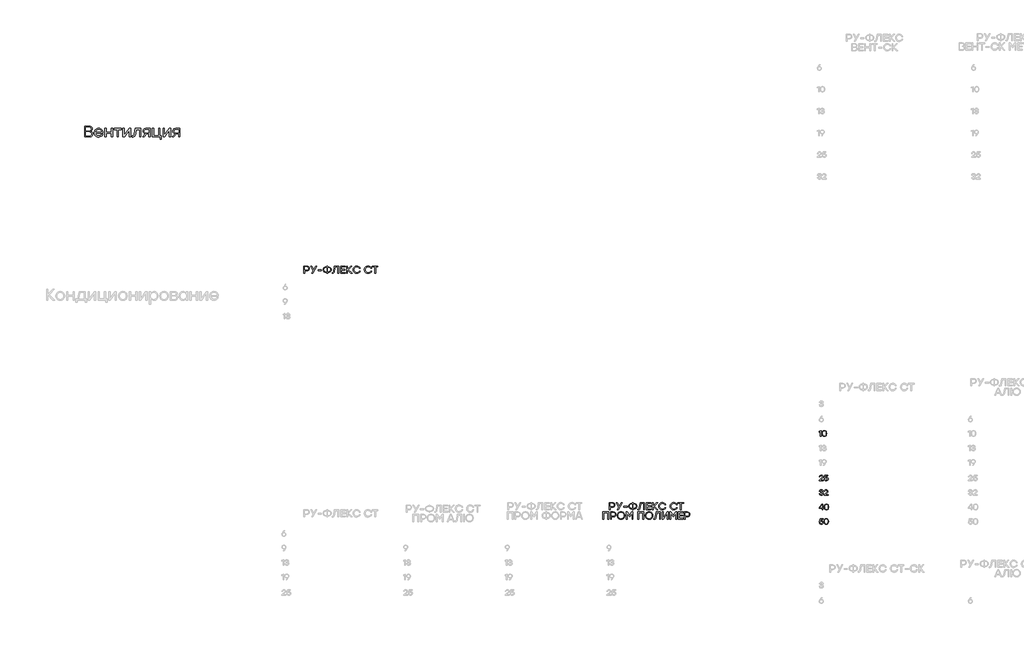
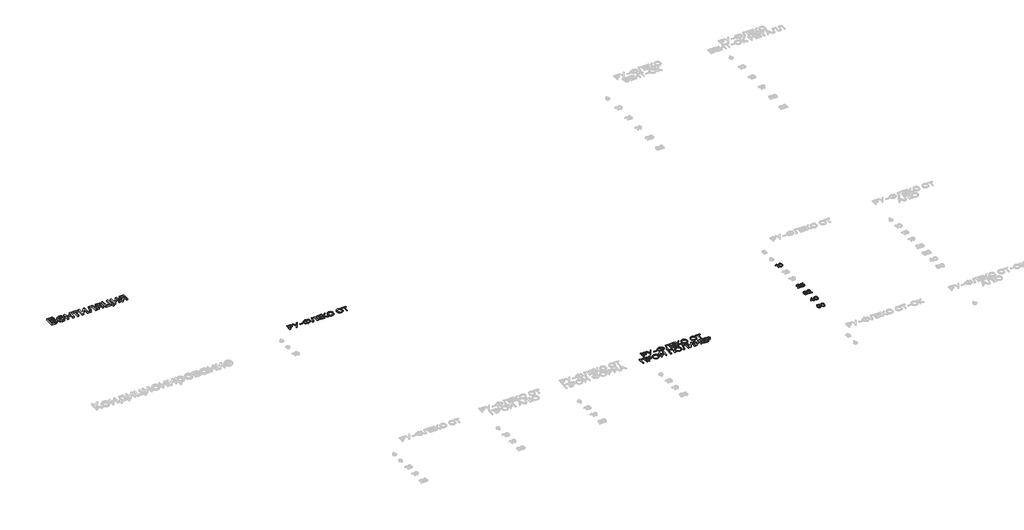
# One storey, part 26 of 41: 8 proxies.
"""IFC4 building model written with IfcOpenShell, lengths in millimetres."""

import ifcopenshell
import ifcopenshell.guid

model = None  # the IFC model being written
_history = None  # IfcOwnerHistory: only IFC2X3 demands one
_inside = {}  # id of a spatial element -> (the spatial element, [elements in it])
_under = {}  # id of a project, library or spatial element -> (it, [spatial elements below it])
_declared = {}  # id of a project -> (the project, [libraries it declares])
_typed = {}  # id of a type object -> (the type object, [elements of that type])
_made_of = {}  # id of a material, layer set ... -> (it, [elements and type objects made of it])


def new_model(schema):
    """Start an empty IFC model of exactly this schema.

    Asked for "IFC4X3", IfcOpenShell would pick the latest addendum, in which some entities
    have other attributes; the version numbers below select the first issue.
    IFC2X3 requires an IfcOwnerHistory on every rooted entity: one is made here for all.
    """
    global model, _history
    if schema == "IFC4X3":
        model = ifcopenshell.file(schema_version=(4, 3, 0, 0))
    else:
        model = ifcopenshell.file(schema=schema)
    _inside.clear()
    _under.clear()
    _declared.clear()
    _typed.clear()
    _made_of.clear()
    _history = None
    if model.schema == "IFC2X3":
        org = make("IfcOrganization", Name="unknown")
        user = make(
            "IfcPersonAndOrganization",
            ThePerson=make("IfcPerson", FamilyName="unknown"),
            TheOrganization=org,
        )
        app = make(
            "IfcApplication",
            ApplicationDeveloper=org,
            Version="unknown",
            ApplicationFullName="unknown",
            ApplicationIdentifier="unknown",
        )
        _history = make(
            "IfcOwnerHistory",
            OwningUser=user,
            OwningApplication=app,
            ChangeAction="ADDED",
            CreationDate=0,
        )
    return model


def make(cls, **values):
    """One entity of the class cls with the attributes given. An attribute that is None is left unset."""
    return model.create_entity(
        cls, **{name: value for name, value in values.items() if value is not None}
    )


def rooted(cls, **values):
    """An entity with a GlobalId (a new one), such as an element, a storey or a relation."""
    return make(cls, GlobalId=ifcopenshell.guid.new(), OwnerHistory=_history, **values)


def si_unit(unit_type, name, prefix=None):
    """IfcSIUnit, for example si_unit("LENGTHUNIT", "METRE", prefix="MILLI")."""
    return make("IfcSIUnit", UnitType=unit_type, Prefix=prefix, Name=name)


def assignment(units):
    """IfcUnitAssignment: the units of a project."""
    return None if units is None else make("IfcUnitAssignment", Units=units)


def point(xyz):
    """IfcCartesianPoint."""
    return None if xyz is None else make("IfcCartesianPoint", Coordinates=xyz)


def direction(xyz):
    """IfcDirection."""
    return None if xyz is None else make("IfcDirection", DirectionRatios=xyz)


def frame(location, z_axis=None, x_axis=None):
    """IfcAxis2Placement3D, a coordinate frame: its origin and axes. An axis left out is left unset."""
    return make(
        "IfcAxis2Placement3D",
        Location=point(location),
        Axis=direction(z_axis),
        RefDirection=direction(x_axis),
    )


def origin():
    """The frame at (0, 0, 0) with its axes left unset."""
    return frame((0.0, 0.0, 0.0))


def origin_with_axes():
    """The frame at (0, 0, 0) with the z axis (0, 0, 1) and the x axis (1, 0, 0) written out."""
    return frame((0.0, 0.0, 0.0), z_axis=(0.0, 0.0, 1.0), x_axis=(1.0, 0.0, 0.0))


def place(relative_to, where):
    """IfcLocalPlacement: puts the frame where relative to a parent placement (None: the world)."""
    return make(
        "IfcLocalPlacement", PlacementRelTo=relative_to, RelativePlacement=where
    )


def context(
    kind, dimensions, precision=None, world=None, true_north=None, identifier=None
):
    """IfcGeometricRepresentationContext, for example the 3D "Model" context."""
    return make(
        "IfcGeometricRepresentationContext",
        ContextIdentifier=identifier,
        ContextType=kind,
        CoordinateSpaceDimension=dimensions,
        Precision=precision,
        WorldCoordinateSystem=world,
        TrueNorth=true_north,
    )


def project(units=None, contexts=None):
    """IfcProject with its units and contexts."""
    return rooted(
        "IfcProject",
        Name="project",
        RepresentationContexts=contexts,
        UnitsInContext=assignment(units),
    )


def spatial(cls, under=None, at=None, **own):
    """A site, building, storey or space (cls), placed at a placement, below another one or the project."""
    s = rooted(cls, ObjectPlacement=at, **own)
    if under is not None:
        _under.setdefault(under.id(), (under, []))[1].append(s)
    return s


def polyline(points):
    """IfcPolyline through the points."""
    return make("IfcPolyline", Points=[point(p) for p in points])


def outline(outer, holes=None, kind="AREA"):
    """IfcArbitraryClosedProfileDef: a profile drawn as a closed curve; with holes, ...WithVoids."""
    if holes is None:
        return make("IfcArbitraryClosedProfileDef", ProfileType=kind, OuterCurve=outer)
    return make(
        "IfcArbitraryProfileDefWithVoids",
        ProfileType=kind,
        OuterCurve=outer,
        InnerCurves=holes,
    )


def extrude(swept, where, along, depth):
    """IfcExtrudedAreaSolid: the profile swept, set in the frame where, extruded along a direction by depth."""
    return make(
        "IfcExtrudedAreaSolid",
        SweptArea=swept,
        Position=where,
        ExtrudedDirection=direction(along),
        Depth=depth,
    )


def shape(context_of_items, identifier, shape_type, items):
    """IfcShapeRepresentation: the items that make up one representation, for example the "Body"."""
    return make(
        "IfcShapeRepresentation",
        ContextOfItems=context_of_items,
        RepresentationIdentifier=identifier,
        RepresentationType=shape_type,
        Items=items,
    )


def made_of(thing, what):
    """Note that an element or type object is made of a material, layer set ...; save() writes the relation."""
    if what is not None:
        _made_of.setdefault(what.id(), (what, []))[1].append(thing)
    return thing


def element(
    cls,
    number,
    at=None,
    inside=None,
    cuts=None,
    type_object=None,
    material=None,
    context=None,
    identifier="Body",
    shape_type=None,
    held_by="IfcProductDefinitionShape",
    body=None,
    shapes=None,
    **own,
):
    """One element of the class cls, such as IfcWall. Its Tag is "e" and its number.

    at: its placement. inside: the storey or other place that contains it. cuts: it is an
    opening in that element (IfcRelVoidsElement). A single representation is given by context,
    identifier, shape_type and body (its items); several are given by shapes. held_by: the class
    of the entity that holds the representations. save() writes the other relations.
    """
    e = rooted(cls, Tag="e%d" % number, ObjectPlacement=at, **own)
    if body is not None:
        shapes = [shape(context, identifier, shape_type, body)]
    if shapes is not None:
        e.Representation = make(held_by, Representations=shapes)
    if inside is not None:
        _inside.setdefault(inside.id(), (inside, []))[1].append(e)
    if cuts is not None:
        rooted(
            "IfcRelVoidsElement", RelatingBuildingElement=cuts, RelatedOpeningElement=e
        )
    if type_object is not None:
        _typed.setdefault(type_object.id(), (type_object, []))[1].append(e)
    return made_of(e, material)


def aggregate(whole, parts):
    """IfcRelAggregates: a whole, such as a stair, and the parts it consists of."""
    return rooted("IfcRelAggregates", RelatingObject=whole, RelatedObjects=parts)


def save(model, path):
    """Write the relations noted so far, then the file.

    IfcRelAggregates (storeys below a building ...), IfcRelContainedInSpatialStructure (elements
    in a storey), IfcRelDefinesByType, IfcRelAssociatesMaterial and IfcRelDeclares: one each for
    every whole, place, type object, material and project.
    """
    for whole, parts in _under.values():
        aggregate(whole, parts)
    for where, things in _inside.values():
        rooted(
            "IfcRelContainedInSpatialStructure",
            RelatedElements=things,
            RelatingStructure=where,
        )
    for kind, things in _typed.values():
        rooted("IfcRelDefinesByType", RelatedObjects=things, RelatingType=kind)
    for what, things in _made_of.values():
        rooted("IfcRelAssociatesMaterial", RelatedObjects=things, RelatingMaterial=what)
    for by, libraries in _declared.values():
        rooted("IfcRelDeclares", RelatingContext=by, RelatedDefinitions=libraries)
    model.write(path)


model = new_model("IFC4")

# Units and contexts
model_context = context("Model", 3, world=origin())
ifc_project = project(units=[si_unit("LENGTHUNIT", "METRE", prefix="MILLI")], contexts=[model_context])

# Site, building, storey
site = spatial("IfcSite", under=ifc_project)
building = spatial("IfcBuilding", under=site)
storey = spatial("IfcBuildingStorey", under=building, Elevation=0.0)

# Proxies
placement = place(None, origin())
element("IfcBuildingElementProxy", 1, Name="Generic Models", at=placement, inside=storey, context=model_context, shape_type="SweptSolid", body=[
    extrude(outline(polyline([(1360.8841355, -20745.7672197), (1383.4556317, -20755.952225), (1399.578129, -20771.9844564), (1409.2516273, -20793.8639138), (1412.4761268, -20821.5905974), (1410.9165322, -20839.9521911), (1406.2377484, -20856.2025651), (1398.4397753, -20870.3417194), (1387.5226131, -20882.369654), (1373.6216605, -20891.9704382), (1356.8723165, -20898.8281411), (1314.8284542, -20904.3143035), (1189.4992311, -20904.3143035), (1189.4992311, -20605.9954485), (1312.7423084, -20605.9954485), (1351.9678679, -20610.9500449), (1367.4810702, -20617.1432903), (1380.2612209, -20625.813834), (1390.2481426, -20636.7460406), (1397.3816581, -20649.7242748), (1403.0884705, -20681.8188261), (1400.4506996, -20703.2369244), (1392.5373868, -20721.0343561), (1379.3485321, -20735.2111212), (1360.8841355, -20745.7672197)]), holes=[polyline([(1367.3030457, -20686.9539544), (1363.8929997, -20666.3933824), (1353.6628614, -20651.5697115), (1335.549499, -20642.6032962), (1308.4897804, -20639.6144911), (1224.883474, -20639.6144911), (1224.883474, -20733.8119994), (1307.6071802, -20733.8119994), (1335.3288489, -20730.8332238), (1353.6628614, -20721.8968972), (1363.8929997, -20707.2036104), (1367.3030457, -20686.9539544)]), polyline([(1314.4272724, -20870.6150246), (1341.8430399, -20867.3955399), (1361.425731, -20857.7370858), (1373.1753457, -20841.6396624), (1377.0918839, -20819.1032696), (1373.3608923, -20796.2459313), (1362.1679175, -20779.6670896), (1342.550123, -20769.5873946), (1313.5446722, -20766.2274962), (1224.883474, -20766.2274962), (1224.883474, -20870.6150246), (1314.4272724, -20870.6150246)])]), origin_with_axes(), (0.0, 0.0, 1.0), 50.0),
    extrude(outline(polyline([(1576.3990479, -20665.2098958), (1602.2928317, -20667.5267212), (1625.4134456, -20674.4771975), (1645.7608897, -20686.0613246), (1663.3351639, -20702.2791026), (1677.369008, -20722.1476358), (1687.0951615, -20744.6840286), (1692.5136244, -20769.888281), (1693.6243968, -20797.760393), (1492.872978, -20797.760393), (1500.6559067, -20830.1758898), (1508.4588945, -20843.4951287), (1518.8695646, -20854.8886944), (1545.3876877, -20870.5347882), (1578.0840119, -20875.7501528), (1602.3454868, -20873.1926182), (1622.6553201, -20865.5200145), (1639.0135117, -20852.7323417), (1651.4200618, -20834.8295998), (1688.0880867, -20834.8295998), (1669.8443401, -20866.7636784), (1644.1586695, -20890.0322282), (1612.6157432, -20904.2340671), (1576.8002298, -20908.9680135), (1551.7589576, -20906.851779), (1529.029496, -20900.5030755), (1508.6118451, -20889.9219031), (1490.5060048, -20875.1082618), (1475.6748117, -20856.9648107), (1465.0811024, -20836.3942092), (1458.7248768, -20813.3964572), (1456.6061349, -20787.9715548), (1458.7123399, -20762.4914899), (1465.0309547, -20739.3282504), (1475.5619793, -20718.4818363), (1490.3054139, -20699.9522477), (1508.3234956, -20684.7524687), (1528.6784619, -20673.8954838), (1551.3703126, -20667.3812928), (1576.3990479, -20665.2098958)]), holes=[polyline([(1576.3990479, -20698.4277565), (1547.263213, -20703.0112596), (1522.9215017, -20716.7617689), (1504.858287, -20737.873966), (1494.5579419, -20764.5425323), (1655.2714079, -20764.5425323), (1645.542747, -20737.6232273), (1628.3922211, -20716.561178), (1604.9631986, -20702.9611119), (1576.3990479, -20698.4277565)])]), origin_with_axes(), (0.0, 0.0, 1.0), 50.0),
    extrude(outline(polyline([(1927.8343854, -20669.8636058), (1963.2186283, -20669.8636058), (1963.2186283, -20904.3143035), (1927.8343854, -20904.3143035), (1927.8343854, -20801.1303209), (1783.8100862, -20801.1303209), (1783.8100862, -20904.3143035), (1748.4258433, -20904.3143035), (1748.4258433, -20669.8636058), (1783.8100862, -20669.8636058), (1783.8100862, -20767.5112783), (1927.8343854, -20767.5112783), (1927.8343854, -20669.8636058)])), origin_with_axes(), (0.0, 0.0, 1.0), 50.0),
    extrude(outline(polyline([(2202.6439815, -20669.8636058), (2202.6439815, -20703.1617028), (2121.6052393, -20703.1617028), (2121.6052393, -20904.3143035), (2086.2209964, -20904.3143035), (2086.2209964, -20703.1617028), (2005.2624906, -20703.1617028), (2005.2624906, -20669.8636058), (2121.6052393, -20669.8636058), (2202.6439815, -20669.8636058)])), origin_with_axes(), (0.0, 0.0, 1.0), 50.0),
    extrude(outline(polyline([(2414.8692025, -20669.8636058), (2458.3573196, -20669.8636058), (2458.3573196, -20904.3143035), (2422.9730767, -20904.3143035), (2422.9730767, -20791.822901), (2425.1394589, -20712.950541), (2290.0213977, -20904.3143035), (2246.5332805, -20904.3143035), (2246.5332805, -20669.8636058), (2281.9175234, -20669.8636058), (2281.9175234, -20782.4352447), (2279.7511412, -20860.8261864), (2414.8692025, -20669.8636058)])), origin_with_axes(), (0.0, 0.0, 1.0), 50.0),
    extrude(outline(polyline([(2581.841106, -20669.8636058), (2741.1905536, -20669.8636058), (2741.1905536, -20904.3143035), (2705.8063107, -20904.3143035), (2705.8063107, -20703.1617028), (2611.6088024, -20703.1617028), (2594.1975083, -20813.0855412), (2583.4458336, -20857.3158449), (2568.3613944, -20886.822773), (2548.2822407, -20903.4317034), (2522.5464223, -20908.9680135), (2503.3699279, -20907.6842314), (2503.3699279, -20875.3489709), (2515.7263302, -20876.1513347), (2531.8438127, -20872.6911409), (2543.4479989, -20862.3105594), (2552.0633801, -20842.5623808), (2559.2144473, -20810.9993954), (2581.841106, -20669.8636058)])), origin_with_axes(), (0.0, 0.0, 1.0), 50.0),
    extrude(outline(polyline([(2880.4006701, -20669.8636058), (2994.657273, -20669.8636058), (2994.657273, -20904.3143035), (2959.2730301, -20904.3143035), (2959.2730301, -20815.6531054), (2897.8922006, -20815.6531054), (2829.691279, -20904.3143035), (2785.80198, -20904.3143035), (2859.1380298, -20813.5669595), (2833.2517683, -20805.5032035), (2813.5236487, -20791.5821918), (2801.0368623, -20771.9242791), (2796.8746002, -20746.6498199), (2802.3106148, -20713.8331411), (2809.1056331, -20700.6743751), (2818.6186587, -20689.6819912), (2830.6340564, -20681.0114476), (2844.9361909, -20674.8182021), (2880.4006701, -20669.8636058)]), holes=[polyline([(2883.4496525, -20785.8051726), (2959.2730301, -20785.8051726), (2959.2730301, -20701.8779207), (2881.6844522, -20701.8779207), (2860.2362653, -20704.6210019), (2844.9161318, -20712.8502455), (2835.7240517, -20726.5656514), (2832.660025, -20745.7672197), (2835.8343767, -20763.2838241), (2845.3574318, -20775.7956844), (2861.2291905, -20783.3028005), (2883.4496525, -20785.8051726)])]), origin_with_axes(), (0.0, 0.0, 1.0), 50.0),
    extrude(outline(polyline([(3264.57245, -20871.0964428), (3307.2582034, -20871.0964428), (3307.2582034, -20966.9789151), (3271.8739605, -20966.9789151), (3271.8739605, -20904.3143035), (3229.2684435, -20904.3143035), (3069.4375777, -20904.3143035), (3057.8835392, -20904.3143035), (3057.8835392, -20669.8636058), (3093.2677821, -20669.8636058), (3093.2677821, -20871.0964428), (3229.2684435, -20871.0964428), (3229.2684435, -20669.8636058), (3264.57245, -20669.8636058), (3264.57245, -20871.0964428)])), origin_with_axes(), (0.0, 0.0, 1.0), 50.0),
    extrude(outline(polyline([(3518.9217696, -20669.8636058), (3562.4098868, -20669.8636058), (3562.4098868, -20904.3143035), (3527.0256439, -20904.3143035), (3527.0256439, -20791.822901), (3529.1920261, -20712.950541), (3394.0739648, -20904.3143035), (3350.5858477, -20904.3143035), (3350.5858477, -20669.8636058), (3385.9700906, -20669.8636058), (3385.9700906, -20782.4352447), (3383.8037084, -20860.8261864), (3518.9217696, -20669.8636058)])), origin_with_axes(), (0.0, 0.0, 1.0), 50.0),
    extrude(outline(polyline([(3702.0211852, -20669.8636058), (3816.2777881, -20669.8636058), (3816.2777881, -20904.3143035), (3780.8935452, -20904.3143035), (3780.8935452, -20815.6531054), (3719.5127157, -20815.6531054), (3651.3117941, -20904.3143035), (3607.4224951, -20904.3143035), (3680.7585449, -20813.5669595), (3654.8722833, -20805.5032035), (3635.1441638, -20791.5821918), (3622.6573774, -20771.9242791), (3618.4951153, -20746.6498199), (3623.9311299, -20713.8331411), (3630.7261482, -20700.6743751), (3640.2391738, -20689.6819912), (3652.2545715, -20681.0114476), (3666.556706, -20674.8182021), (3702.0211852, -20669.8636058)]), holes=[polyline([(3705.0701676, -20785.8051726), (3780.8935452, -20785.8051726), (3780.8935452, -20701.8779207), (3703.3049673, -20701.8779207), (3681.8567804, -20704.6210019), (3666.5366469, -20712.8502455), (3657.3445668, -20726.5656514), (3654.2805401, -20745.7672197), (3657.4548918, -20763.2838241), (3666.9779469, -20775.7956844), (3682.8497055, -20783.3028005), (3705.0701676, -20785.8051726)])]), origin_with_axes(), (0.0, 0.0, 1.0), 50.0),
])
element("IfcBuildingElementProxy", 2, Name="Generic Models", at=placement, inside=storey, context=model_context, shape_type="SweptSolid", body=[
    extrude(outline(polyline([(7308.6263504, -24460.6351341), (7337.6454222, -24465.0996066), (7359.5105801, -24478.4930244), (7373.2267308, -24498.9462256), (7377.798781, -24524.5900485), (7373.1863892, -24550.6238405), (7359.3492136, -24571.4939051), (7337.4437141, -24585.2100558), (7308.6263504, -24589.782106), (7252.0405051, -24589.782106), (7252.0405051, -24660.6219902), (7228.3196327, -24660.6219902), (7228.3196327, -24460.6351341), (7308.6263504, -24460.6351341)]), holes=[polyline([(7307.7657292, -24567.190799), (7327.6339769, -24564.1920719), (7342.056106, -24555.1958907), (7350.8304082, -24541.6276593), (7353.7551757, -24524.9127815), (7350.8304082, -24508.2651397), (7342.056106, -24494.8986164), (7327.6339769, -24486.1041433), (7307.7657292, -24483.1726523), (7252.0405051, -24483.1726523), (7252.0405051, -24567.190799), (7307.7657292, -24567.190799)])]), origin_with_axes(), (0.0, 0.0, 1.0), 20.0),
    extrude(outline(polyline([(7586.82216, -24460.6351341), (7473.7042583, -24660.6219902), (7446.863634, -24660.6219902), (7488.2810302, -24588.0608636), (7415.3971706, -24460.6351341), (7442.2915838, -24460.6351341), (7501.4055039, -24562.6187487), (7560.2504798, -24460.6351341), (7586.82216, -24460.6351341)])), origin_with_axes(), (0.0, 0.0, 1.0), 20.0),
    extrude(outline(polyline([(7713.3872683, -24563.2104258), (7713.3872683, -24585.747944), (7620.7629094, -24585.747944), (7620.7629094, -24563.2104258), (7713.3872683, -24563.2104258)])), origin_with_axes(), (0.0, 0.0, 1.0), 20.0),
    extrude(outline(polyline([(7903.9610799, -24483.1726523), (7935.6090805, -24488.2825908), (7961.3806519, -24503.6124063), (7971.3702455, -24514.7147562), (7978.5056695, -24527.582052), (7984.2140087, -24558.6114812), (7978.5392875, -24589.6409103), (7971.4458861, -24602.5082061), (7961.515124, -24613.610556), (7935.7771706, -24628.9403715), (7903.9610799, -24634.05031), (7884.2205806, -24634.05031), (7884.2205806, -24660.6219902), (7860.4997082, -24660.6219902), (7860.4997082, -24634.05031), (7840.5440537, -24634.05031), (7808.6876213, -24628.9403715), (7782.9362207, -24613.610556), (7773.0054586, -24602.5082061), (7765.9120572, -24589.6409103), (7760.237336, -24558.6114812), (7765.9523988, -24527.582052), (7773.0962273, -24514.7147562), (7783.0975872, -24503.6124063), (7808.8893294, -24488.2825908), (7840.5440537, -24483.1726523), (7860.4997082, -24483.1726523), (7860.4997082, -24460.6351341), (7884.2205806, -24460.6351341), (7884.2205806, -24483.1726523), (7903.9610799, -24483.1726523)]), holes=[polyline([(7903.9610799, -24611.459003), (7926.5658341, -24607.9963473), (7944.6792214, -24597.6083802), (7956.5799992, -24580.9338441), (7960.5469251, -24558.6114812), (7956.5799992, -24536.2891182), (7944.6792214, -24519.6145821), (7926.5658341, -24509.226615), (7903.9610799, -24505.7639593), (7884.2205806, -24505.7639593), (7884.2205806, -24611.459003), (7903.9610799, -24611.459003)]), polyline([(7840.5440537, -24611.459003), (7860.4997082, -24611.459003), (7860.4997082, -24505.7639593), (7840.5440537, -24505.7639593), (7818.1410075, -24509.226615), (7800.0948563, -24519.6145821), (7788.1940785, -24536.2891182), (7784.2271525, -24558.6114812), (7788.1537369, -24580.9338441), (7799.9334898, -24597.6083802), (7817.9392994, -24607.9963473), (7840.5440537, -24611.459003)])]), origin_with_axes(), (0.0, 0.0, 1.0), 20.0),
    extrude(outline(polyline([(8073.8799821, -24460.6351341), (8194.1517977, -24460.6351341), (8194.1517977, -24660.6219902), (8170.4309253, -24660.6219902), (8170.4309253, -24483.1726523), (8093.8356367, -24483.1726523), (8074.7406034, -24599.4640947), (8067.6404783, -24629.4849834), (8057.8509119, -24649.1918646), (8044.645755, -24660.1042728), (8027.2988586, -24663.7417422), (8011.5925213, -24662.8811209), (8011.5925213, -24641.2042239), (8022.7268083, -24641.7421122), (8033.4240612, -24639.4560871), (8040.9881149, -24632.5980117), (8051.2886751, -24598.0655852), (8073.8799821, -24460.6351341)])), origin_with_axes(), (0.0, 0.0, 1.0), 20.0),
    extrude(outline(polyline([(8370.7405145, -24483.1726523), (8267.5735456, -24483.1726523), (8267.5735456, -24546.6434673), (8363.8555447, -24546.6434673), (8363.8555447, -24569.1809855), (8267.5735456, -24569.1809855), (8267.5735456, -24638.0306832), (8370.7405145, -24638.0306832), (8370.7405145, -24660.6219902), (8243.8526732, -24660.6219902), (8243.8526732, -24460.6351341), (8370.7405145, -24460.6351341), (8370.7405145, -24483.1726523)])), origin_with_axes(), (0.0, 0.0, 1.0), 20.0),
    extrude(outline(polyline([(8557.3877417, -24660.6219902), (8526.8356884, -24660.6219902), (8432.81282, -24563.4793699), (8432.81282, -24660.6219902), (8409.0919476, -24660.6219902), (8409.0919476, -24460.6351341), (8432.81282, -24460.6351341), (8432.81282, -24554.3352695), (8523.7159365, -24460.6351341), (8553.9990457, -24460.6351341), (8459.3845002, -24558.6383756), (8557.3877417, -24660.6219902)])), origin_with_axes(), (0.0, 0.0, 1.0), 20.0),
    extrude(outline(polyline([(8686.427136, -24663.7417422), (8665.2292958, -24661.9028367), (8645.903979, -24656.3861202), (8628.4511858, -24647.1915927), (8612.8709161, -24634.3192542), (8600.0574091, -24618.678472), (8590.9049041, -24601.1786136), (8585.4134011, -24581.8196788), (8583.5829001, -24560.6016677), (8585.4134011, -24539.3836567), (8590.9049041, -24520.0247219), (8600.0574091, -24502.5248634), (8612.8709161, -24486.8840813), (8628.4511858, -24474.0117428), (8645.903979, -24464.8172153), (8665.2292958, -24459.3004988), (8686.427136, -24457.4615933), (8717.9070466, -24462.0000255), (8745.4334785, -24475.6153222), (8767.1776115, -24496.8686322), (8781.3106256, -24524.3211044), (8755.8685108, -24524.3211044), (8744.4047672, -24506.1135867), (8728.3017373, -24492.0478086), (8708.5545144, -24483.0516274), (8686.1581919, -24480.0529004), (8655.2565112, -24485.8015812), (8630.0026572, -24503.0476236), (8613.1802018, -24528.9402199), (8607.5727167, -24560.6285621), (8613.1802018, -24592.3169044), (8630.0026572, -24618.2095007), (8655.2565112, -24635.4555431), (8686.1581919, -24641.2042239), (8708.5545144, -24638.2054969), (8728.3017373, -24629.2093157), (8744.4047672, -24615.1300904), (8755.8685108, -24596.8822311), (8781.3106256, -24596.8822311), (8767.1776115, -24624.3683213), (8745.4334785, -24645.6149077), (8717.9070466, -24659.2100335), (8686.427136, -24663.7417422)])), origin_with_axes(), (0.0, 0.0, 1.0), 20.0),
    extrude(outline(polyline([(8999.6932604, -24663.7417422), (8978.4954201, -24661.9028367), (8959.1701034, -24656.3861202), (8941.7173101, -24647.1915927), (8926.1370404, -24634.3192542), (8913.3235334, -24618.678472), (8904.1710285, -24601.1786136), (8898.6795255, -24581.8196788), (8896.8490245, -24560.6016677), (8898.6795255, -24539.3836567), (8904.1710285, -24520.0247219), (8913.3235334, -24502.5248634), (8926.1370404, -24486.8840813), (8941.7173101, -24474.0117428), (8959.1701034, -24464.8172153), (8978.4954201, -24459.3004988), (8999.6932604, -24457.4615933), (9031.173171, -24462.0000255), (9058.6996028, -24475.6153222), (9080.4437358, -24496.8686322), (9094.57675, -24524.3211044), (9069.1346351, -24524.3211044), (9057.6708915, -24506.1135867), (9041.5678616, -24492.0478086), (9021.8206388, -24483.0516274), (8999.4243162, -24480.0529004), (8968.5226355, -24485.8015812), (8943.2687816, -24503.0476236), (8926.4463262, -24528.9402199), (8920.838841, -24560.6285621), (8926.4463262, -24592.3169044), (8943.2687816, -24618.2095007), (8968.5226355, -24635.4555431), (8999.4243162, -24641.2042239), (9021.8206388, -24638.2054969), (9041.5678616, -24629.2093157), (9057.6708915, -24615.1300904), (9069.1346351, -24596.8822311), (9094.57675, -24596.8822311), (9080.4437358, -24624.3683213), (9058.6996028, -24645.6149077), (9031.173171, -24659.2100335), (8999.6932604, -24663.7417422)])), origin_with_axes(), (0.0, 0.0, 1.0), 20.0),
    extrude(outline(polyline([(9269.4980131, -24460.6351341), (9269.4980131, -24483.1726523), (9204.8976327, -24483.1726523), (9204.8976327, -24660.6219902), (9180.9078162, -24660.6219902), (9180.9078162, -24483.1726523), (9116.6301687, -24483.1726523), (9116.6301687, -24460.6351341), (9269.4980131, -24460.6351341)])), origin_with_axes(), (0.0, 0.0, 1.0), 20.0),
])
element("IfcBuildingElementProxy", 3, Name="Generic Models", at=placement, inside=storey, context=model_context, shape_type="SweptSolid", body=[
    extrude(outline(polyline([(15729.0016488, -30976.5012744), (15758.0207206, -30980.965747), (15779.8858785, -30994.3591647), (15793.6020292, -31014.8123659), (15798.1740794, -31040.4561888), (15793.5616876, -31066.4899808), (15779.724512, -31087.3600454), (15757.8190125, -31101.0761961), (15729.0016488, -31105.6482463), (15672.4158035, -31105.6482463), (15672.4158035, -31176.4881306), (15648.6949311, -31176.4881306), (15648.6949311, -30976.5012744), (15729.0016488, -30976.5012744)]), holes=[polyline([(15728.1410276, -31083.0569393), (15748.0092753, -31080.0582122), (15762.4314043, -31071.062031), (15771.2057066, -31057.4937996), (15774.1304741, -31040.7789218), (15771.2057066, -31024.1312801), (15762.4314043, -31010.7647567), (15748.0092753, -31001.9702836), (15728.1410276, -30999.0387926), (15672.4158035, -30999.0387926), (15672.4158035, -31083.0569393), (15728.1410276, -31083.0569393)])]), origin_with_axes(), (0.0, 0.0, 1.0), 20.0),
    extrude(outline(polyline([(16007.1974584, -30976.5012744), (15894.0795567, -31176.4881306), (15867.2389324, -31176.4881306), (15908.6563286, -31103.9270039), (15835.772469, -30976.5012744), (15862.6668822, -30976.5012744), (15921.7808023, -31078.484889), (15980.6257782, -30976.5012744), (16007.1974584, -30976.5012744)])), origin_with_axes(), (0.0, 0.0, 1.0), 20.0),
    extrude(outline(polyline([(16133.7625667, -31079.0765661), (16133.7625667, -31101.6140843), (16041.1382078, -31101.6140843), (16041.1382078, -31079.0765661), (16133.7625667, -31079.0765661)])), origin_with_axes(), (0.0, 0.0, 1.0), 20.0),
    extrude(outline(polyline([(16324.3363783, -30999.0387926), (16355.9843789, -31004.1487311), (16381.7559503, -31019.4785466), (16391.7455439, -31030.5808965), (16398.8809679, -31043.4481923), (16404.5893071, -31074.4776215), (16398.9145859, -31105.5070506), (16391.8211845, -31118.3743464), (16381.8904224, -31129.4766964), (16356.152469, -31144.8065119), (16324.3363783, -31149.9164504), (16304.595879, -31149.9164504), (16304.595879, -31176.4881306), (16280.8750066, -31176.4881306), (16280.8750066, -31149.9164504), (16260.9193521, -31149.9164504), (16229.0629197, -31144.8065119), (16203.3115191, -31129.4766964), (16193.380757, -31118.3743464), (16186.2873556, -31105.5070506), (16180.6126344, -31074.4776215), (16186.3276972, -31043.4481923), (16193.4715257, -31030.5808965), (16203.4728856, -31019.4785466), (16229.2646278, -31004.1487311), (16260.9193521, -30999.0387926), (16280.8750066, -30999.0387926), (16280.8750066, -30976.5012744), (16304.595879, -30976.5012744), (16304.595879, -30999.0387926), (16324.3363783, -30999.0387926)]), holes=[polyline([(16324.3363783, -31127.3251433), (16346.9411325, -31123.8624876), (16365.0545198, -31113.4745205), (16376.9552976, -31096.7999844), (16380.9222235, -31074.4776215), (16376.9552976, -31052.1552586), (16365.0545198, -31035.4807224), (16346.9411325, -31025.0927553), (16324.3363783, -31021.6300996), (16304.595879, -31021.6300996), (16304.595879, -31127.3251433), (16324.3363783, -31127.3251433)]), polyline([(16260.9193521, -31127.3251433), (16280.8750066, -31127.3251433), (16280.8750066, -31021.6300996), (16260.9193521, -31021.6300996), (16238.5163059, -31025.0927553), (16220.4701547, -31035.4807224), (16208.5693769, -31052.1552586), (16204.6024509, -31074.4776215), (16208.5290352, -31096.7999844), (16220.3087882, -31113.4745205), (16238.3145978, -31123.8624876), (16260.9193521, -31127.3251433)])]), origin_with_axes(), (0.0, 0.0, 1.0), 20.0),
    extrude(outline(polyline([(16494.2552805, -30976.5012744), (16614.5270961, -30976.5012744), (16614.5270961, -31176.4881306), (16590.8062237, -31176.4881306), (16590.8062237, -30999.0387926), (16514.2109351, -30999.0387926), (16495.1159018, -31115.3302351), (16488.0157767, -31145.3511237), (16478.2262103, -31165.058005), (16465.0210534, -31175.9704131), (16447.674157, -31179.6078825), (16431.9678197, -31178.7472613), (16431.9678197, -31157.0703643), (16443.1021067, -31157.6082525), (16453.7993596, -31155.3222274), (16461.3634133, -31148.4641521), (16471.6639735, -31113.9317256), (16494.2552805, -30976.5012744)])), origin_with_axes(), (0.0, 0.0, 1.0), 20.0),
    extrude(outline(polyline([(16791.1158129, -30999.0387926), (16687.948844, -30999.0387926), (16687.948844, -31062.5096076), (16784.2308431, -31062.5096076), (16784.2308431, -31085.0471258), (16687.948844, -31085.0471258), (16687.948844, -31153.8968235), (16791.1158129, -31153.8968235), (16791.1158129, -31176.4881306), (16664.2279716, -31176.4881306), (16664.2279716, -30976.5012744), (16791.1158129, -30976.5012744), (16791.1158129, -30999.0387926)])), origin_with_axes(), (0.0, 0.0, 1.0), 20.0),
    extrude(outline(polyline([(16977.7630401, -31176.4881306), (16947.2109868, -31176.4881306), (16853.1881184, -31079.3455103), (16853.1881184, -31176.4881306), (16829.467246, -31176.4881306), (16829.467246, -30976.5012744), (16853.1881184, -30976.5012744), (16853.1881184, -31070.2014098), (16944.0912349, -30976.5012744), (16974.3743441, -30976.5012744), (16879.7597986, -31074.5045159), (16977.7630401, -31176.4881306)])), origin_with_axes(), (0.0, 0.0, 1.0), 20.0),
    extrude(outline(polyline([(17106.8024344, -31179.6078825), (17085.6045941, -31177.768977), (17066.2792774, -31172.2522605), (17048.8264842, -31163.057733), (17033.2462144, -31150.1853945), (17020.4327075, -31134.5446123), (17011.2802025, -31117.0447539), (17005.7886995, -31097.6858191), (17003.9581985, -31076.4678081), (17005.7886995, -31055.249797), (17011.2802025, -31035.8908622), (17020.4327075, -31018.3910038), (17033.2462144, -31002.7502216), (17048.8264842, -30989.8778831), (17066.2792774, -30980.6833556), (17085.6045941, -30975.1666391), (17106.8024344, -30973.3277336), (17138.282345, -30977.8661658), (17165.8087769, -30991.4814625), (17187.5529099, -31012.7347725), (17201.685924, -31040.1872447), (17176.2438092, -31040.1872447), (17164.7800656, -31021.979727), (17148.6770357, -31007.9139489), (17128.9298128, -30998.9177677), (17106.5334903, -30995.9190407), (17075.6318096, -31001.6677215), (17050.3779556, -31018.9137639), (17033.5555002, -31044.8063602), (17027.9480151, -31076.4947025), (17033.5555002, -31108.1830448), (17050.3779556, -31134.075641), (17075.6318096, -31151.3216834), (17106.5334903, -31157.0703643), (17128.9298128, -31154.0716372), (17148.6770357, -31145.075456), (17164.7800656, -31130.9962307), (17176.2438092, -31112.7483714), (17201.685924, -31112.7483714), (17187.5529099, -31140.2344616), (17165.8087769, -31161.481048), (17138.282345, -31175.0761739), (17106.8024344, -31179.6078825)])), origin_with_axes(), (0.0, 0.0, 1.0), 20.0),
    extrude(outline(polyline([(17420.0685588, -31179.6078825), (17398.8707185, -31177.768977), (17379.5454018, -31172.2522605), (17362.0926085, -31163.057733), (17346.5123388, -31150.1853945), (17333.6988318, -31134.5446123), (17324.5463269, -31117.0447539), (17319.0548239, -31097.6858191), (17317.2243229, -31076.4678081), (17319.0548239, -31055.249797), (17324.5463269, -31035.8908622), (17333.6988318, -31018.3910038), (17346.5123388, -31002.7502216), (17362.0926085, -30989.8778831), (17379.5454018, -30980.6833556), (17398.8707185, -30975.1666391), (17420.0685588, -30973.3277336), (17451.5484694, -30977.8661658), (17479.0749012, -30991.4814625), (17500.8190342, -31012.7347725), (17514.9520484, -31040.1872447), (17489.5099335, -31040.1872447), (17478.0461899, -31021.979727), (17461.94316, -31007.9139489), (17442.1959372, -30998.9177677), (17419.7996146, -30995.9190407), (17388.8979339, -31001.6677215), (17363.64408, -31018.9137639), (17346.8216246, -31044.8063602), (17341.2141394, -31076.4947025), (17346.8216246, -31108.1830448), (17363.64408, -31134.075641), (17388.8979339, -31151.3216834), (17419.7996146, -31157.0703643), (17442.1959372, -31154.0716372), (17461.94316, -31145.075456), (17478.0461899, -31130.9962307), (17489.5099335, -31112.7483714), (17514.9520484, -31112.7483714), (17500.8190342, -31140.2344616), (17479.0749012, -31161.481048), (17451.5484694, -31175.0761739), (17420.0685588, -31179.6078825)])), origin_with_axes(), (0.0, 0.0, 1.0), 20.0),
    extrude(outline(polyline([(17689.8733115, -30976.5012744), (17689.8733115, -30999.0387926), (17625.2729311, -30999.0387926), (17625.2729311, -31176.4881306), (17601.2831146, -31176.4881306), (17601.2831146, -30999.0387926), (17537.0054671, -30999.0387926), (17537.0054671, -30976.5012744), (17689.8733115, -30976.5012744)])), origin_with_axes(), (0.0, 0.0, 1.0), 20.0),
    extrude(outline(polyline([(15629.7074755, -31235.0235174), (15629.7074755, -31435.0103736), (15605.9866031, -31435.0103736), (15605.9866031, -31257.5610356), (15489.9641047, -31257.5610356), (15489.9641047, -31435.0103736), (15466.2432323, -31435.0103736), (15466.2432323, -31235.0235174), (15489.9641047, -31235.0235174), (15629.7074755, -31235.0235174)])), origin_with_axes(), (0.0, 0.0, 1.0), 20.0),
    extrude(outline(polyline([(15759.9840128, -31235.0235174), (15789.0030845, -31239.48799), (15810.8682424, -31252.8814077), (15824.5843931, -31273.3346089), (15829.1564434, -31298.9784319), (15824.5440515, -31325.0122238), (15810.706876, -31345.8822884), (15788.8013764, -31359.5984391), (15759.9840128, -31364.1704893), (15703.3981675, -31364.1704893), (15703.3981675, -31435.0103736), (15679.6772951, -31435.0103736), (15679.6772951, -31235.0235174), (15759.9840128, -31235.0235174)]), holes=[polyline([(15759.1233915, -31341.5791823), (15778.9916392, -31338.5804552), (15793.4137683, -31329.584274), (15802.1880706, -31316.0160426), (15805.112838, -31299.3011648), (15802.1880706, -31282.6535231), (15793.4137683, -31269.2869997), (15778.9916392, -31260.4925266), (15759.1233915, -31257.5610356), (15703.3981675, -31257.5610356), (15703.3981675, -31341.5791823), (15759.1233915, -31341.5791823)])]), origin_with_axes(), (0.0, 0.0, 1.0), 20.0),
    extrude(outline(polyline([(15893.7568238, -31261.4338311), (15909.5505679, -31248.4908948), (15927.0790016, -31239.2459403), (15946.3421251, -31233.6989675), (15967.3399381, -31231.8499766), (15988.3192613, -31233.6989675), (16007.526915, -31239.2459403), (16024.9628992, -31248.4908948), (16040.627214, -31261.4338311), (16053.558384, -31277.1267212), (16062.794934, -31294.6215369), (16068.336864, -31313.9182784), (16070.184174, -31335.0169455), (16068.3267786, -31356.1139317), (16062.7545924, -31375.4056304), (16053.4676153, -31392.8920417), (16040.4658475, -31408.5731654), (16024.7326158, -31421.5043355), (16007.2512472, -31430.7408855), (15988.0217418, -31436.2828155), (15967.0440996, -31438.1301255), (15946.0664573, -31436.2828155), (15926.8369519, -31430.7408855), (15909.3555834, -31421.5043355), (15893.6223517, -31408.5731654), (15880.6205838, -31392.8920417), (15871.3336068, -31375.4056304), (15865.7614206, -31356.1139317), (15863.9040252, -31335.0169455), (15865.7698251, -31313.9182784), (15871.3672248, -31294.6215369), (15880.6962244, -31277.1267212), (15893.7568238, -31261.4338311)]), holes=[polyline([(15967.070994, -31254.4412837), (15936.2634437, -31260.2235825), (15910.7540929, -31277.570479), (15893.6089045, -31303.4899697), (15887.8938417, -31334.9900511), (15893.6089045, -31366.4968561), (15910.7540929, -31392.4365175), (15936.2634437, -31409.8035848), (15967.070994, -31415.5926073), (15998.0399107, -31409.8439265), (16023.4954728, -31392.597884), (16040.5196363, -31366.7052878), (16046.1943575, -31335.0169455), (16040.5196363, -31303.3286032), (16023.4954728, -31277.4360069), (15998.0399107, -31260.1899645), (15967.070994, -31254.4412837)])]), origin_with_axes(), (0.0, 0.0, 1.0), 20.0),
    extrude(outline(polyline([(16268.0194771, -31235.0235174), (16297.173021, -31235.0235174), (16297.173021, -31435.0103736), (16273.4521486, -31435.0103736), (16273.4521486, -31265.5755707), (16205.7320163, -31367.8819183), (16203.4728856, -31367.8819183), (16135.7527533, -31265.5755707), (16135.7527533, -31435.0103736), (16112.0318809, -31435.0103736), (16112.0318809, -31235.0235174), (16141.1854247, -31235.0235174), (16204.6024509, -31330.4448952), (16268.0194771, -31235.0235174)])), origin_with_axes(), (0.0, 0.0, 1.0), 20.0),
    extrude(outline(polyline([(16597.0457276, -31235.0235174), (16597.0457276, -31435.0103736), (16573.3248552, -31435.0103736), (16573.3248552, -31257.5610356), (16457.3023569, -31257.5610356), (16457.3023569, -31435.0103736), (16433.5814845, -31435.0103736), (16433.5814845, -31235.0235174), (16457.3023569, -31235.0235174), (16597.0457276, -31235.0235174)])), origin_with_axes(), (0.0, 0.0, 1.0), 20.0),
    extrude(outline(polyline([(16668.3159224, -31261.4338311), (16684.1096666, -31248.4908948), (16701.6381003, -31239.2459403), (16720.9012237, -31233.6989675), (16741.8990368, -31231.8499766), (16762.87836, -31233.6989675), (16782.0860137, -31239.2459403), (16799.5219979, -31248.4908948), (16815.1863126, -31261.4338311), (16828.1174827, -31277.1267212), (16837.3540327, -31294.6215369), (16842.8959627, -31313.9182784), (16844.7432727, -31335.0169455), (16842.8858773, -31356.1139317), (16837.3136911, -31375.4056304), (16828.026714, -31392.8920417), (16815.0249462, -31408.5731654), (16799.2917145, -31421.5043355), (16781.8103459, -31430.7408855), (16762.5808405, -31436.2828155), (16741.6031983, -31438.1301255), (16720.625556, -31436.2828155), (16701.3960506, -31430.7408855), (16683.9146821, -31421.5043355), (16668.1814504, -31408.5731654), (16655.1796825, -31392.8920417), (16645.8927055, -31375.4056304), (16640.3205192, -31356.1139317), (16638.4631238, -31335.0169455), (16640.3289238, -31313.9182784), (16645.9263235, -31294.6215369), (16655.255323, -31277.1267212), (16668.3159224, -31261.4338311)]), holes=[polyline([(16741.6300927, -31254.4412837), (16710.8225424, -31260.2235825), (16685.3131915, -31277.570479), (16668.1680032, -31303.4899697), (16662.4529404, -31334.9900511), (16668.1680032, -31366.4968561), (16685.3131915, -31392.4365175), (16710.8225424, -31409.8035848), (16741.6300927, -31415.5926073), (16772.5990094, -31409.8439265), (16798.0545715, -31392.597884), (16815.078735, -31366.7052878), (16820.7534562, -31335.0169455), (16815.078735, -31303.3286032), (16798.0545715, -31277.4360069), (16772.5990094, -31260.1899645), (16741.6300927, -31254.4412837)])]), origin_with_axes(), (0.0, 0.0, 1.0), 20.0),
    extrude(outline(polyline([(16934.8933456, -31235.0235174), (17055.1651612, -31235.0235174), (17055.1651612, -31435.0103736), (17031.4442888, -31435.0103736), (17031.4442888, -31257.5610356), (16954.8490001, -31257.5610356), (16935.7539668, -31373.8524781), (16928.6538417, -31403.8733667), (16918.8642753, -31423.580248), (16905.6591185, -31434.4926561), (16888.312222, -31438.1301255), (16872.6058847, -31437.2695043), (16872.6058847, -31415.5926073), (16883.7401718, -31416.1304955), (16894.4374246, -31413.8444704), (16902.0014783, -31406.9863951), (16912.3020385, -31372.4539686), (16934.8933456, -31235.0235174)])), origin_with_axes(), (0.0, 0.0, 1.0), 20.0),
    extrude(outline(polyline([(17238.0471706, -31235.0235174), (17267.2007144, -31235.0235174), (17267.2007144, -31435.0103736), (17243.479842, -31435.0103736), (17243.479842, -31351.3149598), (17245.4700286, -31266.7051361), (17132.621071, -31435.0103736), (17103.4675272, -31435.0103736), (17103.4675272, -31235.0235174), (17127.1883996, -31235.0235174), (17127.1883996, -31318.7189311), (17125.198213, -31403.274966), (17238.0471706, -31235.0235174)])), origin_with_axes(), (0.0, 0.0, 1.0), 20.0),
    extrude(outline(polyline([(17469.4467013, -31235.0235174), (17498.6002452, -31235.0235174), (17498.6002452, -31435.0103736), (17474.8793728, -31435.0103736), (17474.8793728, -31265.5755707), (17407.1592405, -31367.8819183), (17404.9001097, -31367.8819183), (17337.1799774, -31265.5755707), (17337.1799774, -31435.0103736), (17313.459105, -31435.0103736), (17313.459105, -31235.0235174), (17342.6126489, -31235.0235174), (17406.0296751, -31330.4448952), (17469.4467013, -31235.0235174)])), origin_with_axes(), (0.0, 0.0, 1.0), 20.0),
    extrude(outline(polyline([(17675.8344278, -31257.5610356), (17572.667459, -31257.5610356), (17572.667459, -31321.0318506), (17668.949458, -31321.0318506), (17668.949458, -31343.5693689), (17572.667459, -31343.5693689), (17572.667459, -31412.4190665), (17675.8344278, -31412.4190665), (17675.8344278, -31435.0103736), (17548.9465866, -31435.0103736), (17548.9465866, -31235.0235174), (17675.8344278, -31235.0235174), (17675.8344278, -31257.5610356)])), origin_with_axes(), (0.0, 0.0, 1.0), 20.0),
    extrude(outline(polyline([(17794.4925786, -31235.0235174), (17823.5116504, -31239.48799), (17845.3768083, -31252.8814077), (17859.092959, -31273.3346089), (17863.6650092, -31298.9784319), (17859.0526174, -31325.0122238), (17845.2154418, -31345.8822884), (17823.3099423, -31359.5984391), (17794.4925786, -31364.1704893), (17737.9067334, -31364.1704893), (17737.9067334, -31435.0103736), (17714.185861, -31435.0103736), (17714.185861, -31235.0235174), (17794.4925786, -31235.0235174)]), holes=[polyline([(17793.6319574, -31341.5791823), (17813.5002051, -31338.5804552), (17827.9223342, -31329.584274), (17836.6966365, -31316.0160426), (17839.6214039, -31299.3011648), (17836.6966365, -31282.6535231), (17827.9223342, -31269.2869997), (17813.5002051, -31260.4925266), (17793.6319574, -31257.5610356), (17737.9067334, -31257.5610356), (17737.9067334, -31341.5791823), (17793.6319574, -31341.5791823)])]), origin_with_axes(), (0.0, 0.0, 1.0), 20.0),
])
element("IfcBuildingElementProxy", 4, Name="Generic Models", at=placement, inside=storey, context=model_context, shape_type="SweptSolid", body=[
    extrude(outline(polyline([(21471.7561063, -28996.9939183), (21479.9051135, -28996.9939183), (21479.9051135, -29146.9840604), (21462.1144592, -29146.9840604), (21462.1144592, -29017.7698524), (21427.6223744, -29031.6877112), (21427.6223744, -29014.1391067), (21471.7561063, -28996.9939183)])), origin_with_axes(), (0.0, 0.0, 1.0), 20.0),
    extrude(outline(polyline([(21570.6334163, -28994.6137627), (21596.1394053, -28999.676636), (21615.2109061, -29014.8652558), (21627.1015985, -29039.266893), (21631.0651626, -29071.9688185), (21627.1015985, -29104.670744), (21615.2109061, -29129.0723813), (21596.1394053, -29144.2610011), (21570.6334163, -29149.3238744), (21545.2787083, -29144.2912573), (21526.1769513, -29129.1934061), (21514.1954903, -29104.8270678), (21510.2016699, -29071.9889893), (21514.1954903, -29039.1458682), (21526.1769513, -29014.7644018), (21545.2787083, -28999.6514225), (21570.6334163, -28994.6137627)]), holes=[polyline([(21539.4493442, -29117.7363861), (21552.8730182, -29128.7496483), (21570.6334163, -29132.4207357), (21588.3938144, -29128.7496483), (21601.8174883, -29117.7363861), (21610.2589722, -29098.9573621), (21613.0728002, -29071.9889893), (21610.2589722, -29045.0206166), (21601.8174883, -29026.2415926), (21588.3938144, -29015.2283304), (21570.6334163, -29011.557243), (21552.8730182, -29015.2283304), (21539.4493442, -29026.2415926), (21531.0078603, -29045.0206166), (21528.1940323, -29071.9889893), (21531.0078603, -29098.9573621), (21539.4493442, -29117.7363861)])]), origin_with_axes(), (0.0, 0.0, 1.0), 20.0),
])
element("IfcBuildingElementProxy", 5, Name="Generic Models", at=placement, inside=storey, context=model_context, shape_type="SweptSolid", body=[
    extrude(outline(polyline([(21542.2732576, -30353.838872), (21542.2732576, -30370.9840604), (21429.7604802, -30370.9840604), (21429.7604802, -30358.1150837), (21473.2487463, -30320.1939612), (21511.9363596, -30284.2092364), (21518.2901647, -30274.2448563), (21520.4080997, -30263.6350103), (21518.1035847, -30252.3595276), (21511.1900396, -30243.3835172), (21500.4188271, -30237.5138116), (21486.54131, -30235.557243), (21472.608323, -30237.6197083), (21461.6707014, -30243.8071042), (21453.7940002, -30253.7462708), (21449.0437744, -30267.064048), (21431.051412, -30267.064048), (21437.2488934, -30247.06469), (21449.4673614, -30231.6844475), (21466.5671655, -30221.8814339), (21487.4086548, -30218.6137627), (21507.9526246, -30221.7755372), (21524.1598704, -30231.2608605), (21534.6890331, -30245.5165804), (21538.198754, -30262.9895444), (21535.6521893, -30277.6285097), (21528.012495, -30290.724408), (21487.812071, -30328.9884343), (21459.0888377, -30353.838872), (21542.2732576, -30353.838872)])), origin_with_axes(), (0.0, 0.0, 1.0), 20.0),
    extrude(outline(polyline([(21623.3599133, -30271.9857256), (21643.2483318, -30275.3592936), (21659.667371, -30285.4799974), (21670.6806332, -30301.1779302), (21674.3517206, -30321.2831849), (21670.4436262, -30341.9834785), (21658.7193429, -30358.6596956), (21641.1556103, -30369.6578297), (21619.7291675, -30373.3238744), (21598.771696, -30370.2730394), (21580.9205293, -30361.1205344), (21567.9002715, -30346.3908005), (21561.435527, -30326.6082787), (21579.4278894, -30326.6082787), (21584.5764886, -30339.3108462), (21593.5676271, -30348.6953155), (21605.5642163, -30354.4893806), (21619.7291675, -30356.4207357), (21634.2168517, -30353.8993845), (21645.9713911, -30346.3353308), (21653.7623664, -30335.0295918), (21656.3593582, -30321.2831849), (21653.7875799, -30307.3401126), (21646.0722452, -30296.4125764), (21634.3933462, -30289.3477502), (21619.9308756, -30286.9928081), (21598.9330625, -30291.8640587), (21584.349567, -30306.4778105), (21567.2043786, -30306.4778105), (21585.4387907, -30220.9939183), (21667.2919371, -30220.9939183), (21667.2919371, -30237.8970569), (21598.9128917, -30237.8970569), (21589.0695365, -30284.6126526), (21604.500206, -30275.1424574), (21623.3599133, -30271.9857256)])), origin_with_axes(), (0.0, 0.0, 1.0), 20.0),
])
element("IfcBuildingElementProxy", 6, Name="Generic Models", at=placement, inside=storey, context=model_context, shape_type="SweptSolid", body=[
    extrude(outline(polyline([(21515.4864221, -30691.9144858), (21526.6963497, -30697.3807752), (21535.0722785, -30705.6306365), (21540.2914755, -30716.2909095), (21542.0312079, -30728.9884343), (21538.334907, -30747.2379745), (21527.2460043, -30761.3222425), (21510.1562856, -30770.3234664), (21488.4575369, -30773.3238744), (21467.0714357, -30770.4344058), (21449.1446285, -30761.7660003), (21436.2000112, -30747.5808783), (21429.7604802, -30728.1412603), (21447.7528426, -30728.1412603), (21452.6140078, -30740.5135308), (21460.9848939, -30749.3508668), (21472.8655009, -30754.6532685), (21488.2558288, -30756.4207357), (21503.1671, -30754.4893806), (21514.4980524, -30748.6953155), (21521.6536472, -30739.5831522), (21524.0388455, -30727.6975024), (21522.0318499, -30716.9162046), (21516.0108632, -30708.5352331), (21505.6430669, -30703.1496268), (21490.5956427, -30701.3544248), (21469.8197086, -30701.3544248), (21469.8197086, -30685.7018763), (21485.472257, -30685.7018763), (21500.1919055, -30684.2546207), (21510.7059402, -30679.9128539), (21517.014361, -30672.6765758), (21519.1171679, -30662.5457866), (21516.8378664, -30651.4064568), (21509.9999618, -30642.8389054), (21499.4102867, -30637.3776586), (21485.8756732, -30635.557243), (21473.0369528, -30637.0851818), (21462.7599251, -30641.6689984), (21455.0950174, -30649.7827067), (21450.0926565, -30661.9003207), (21432.1002941, -30661.9003207), (21438.7717895, -30642.6977097), (21450.6372684, -30629.2236087), (21466.7890444, -30621.2662242), (21486.3194311, -30618.6137627), (21506.3339171, -30621.5334874), (21522.6470596, -30630.2926616), (21533.4939126, -30643.6608659), (21537.1095303, -30660.4076807), (21531.5423868, -30679.690975), (21524.7448238, -30686.9222103), (21515.4864221, -30691.9144858)])), origin_with_axes(), (0.0, 0.0, 1.0), 20.0),
    extrude(outline(polyline([(21673.9483044, -30753.838872), (21673.9483044, -30770.9840604), (21561.435527, -30770.9840604), (21561.435527, -30758.1150837), (21604.923793, -30720.1939612), (21643.6114064, -30684.2092364), (21649.9652115, -30674.2448563), (21652.0831465, -30663.6350103), (21649.7786315, -30652.3595276), (21642.8650864, -30643.3835172), (21632.0938739, -30637.5138116), (21618.2163567, -30635.557243), (21604.2833698, -30637.6197083), (21593.3457482, -30643.8071042), (21585.4690469, -30653.7462708), (21580.7188212, -30667.064048), (21562.7264588, -30667.064048), (21568.9239401, -30647.06469), (21581.1424082, -30631.6844475), (21598.2422123, -30621.8814339), (21619.0837016, -30618.6137627), (21639.6276714, -30621.7755372), (21655.8349171, -30631.2608605), (21666.3640799, -30645.5165804), (21669.8738008, -30662.9895444), (21667.327236, -30677.6285097), (21659.6875418, -30690.724408), (21619.4871178, -30728.9884343), (21590.7638845, -30753.838872), (21673.9483044, -30753.838872)])), origin_with_axes(), (0.0, 0.0, 1.0), 20.0),
])
element("IfcBuildingElementProxy", 7, Name="Generic Models", at=placement, inside=storey, context=model_context, shape_type="SweptSolid", body=[
    extrude(outline(polyline([(21547.8404011, -31118.2575634), (21547.8404011, -31134.9993356), (21525.7735351, -31134.9993356), (21525.7735351, -31170.9840604), (21507.9828808, -31170.9840604), (21507.9828808, -31134.9993356), (21427.6223744, -31134.9993356), (21427.6223744, -31118.2575634), (21499.1884077, -31020.9939183), (21525.7735351, -31020.9939183), (21525.7735351, -31118.2575634), (21547.8404011, -31118.2575634)]), holes=[polyline([(21447.3090848, -31118.0558553), (21507.9828808, -31118.0558553), (21507.9828808, -31037.6953488), (21506.2481912, -31037.6953488), (21447.3090848, -31118.0558553)])]), origin_with_axes(), (0.0, 0.0, 1.0), 20.0),
    extrude(outline(polyline([(21627.4344168, -31018.6137627), (21652.9404059, -31023.676636), (21672.0119066, -31038.8652558), (21683.9025991, -31063.266893), (21687.8661632, -31095.9688185), (21683.9025991, -31128.670744), (21672.0119066, -31153.0723813), (21652.9404059, -31168.2610011), (21627.4344168, -31173.3238744), (21602.0797088, -31168.2912573), (21582.9779519, -31153.1934061), (21570.9964909, -31128.8270678), (21567.0026705, -31095.9889893), (21570.9964909, -31063.1458682), (21582.9779519, -31038.7644018), (21602.0797088, -31023.6514225), (21627.4344168, -31018.6137627)]), holes=[polyline([(21596.2503448, -31141.7363861), (21609.6740188, -31152.7496483), (21627.4344168, -31156.4207357), (21645.1948149, -31152.7496483), (21658.6184889, -31141.7363861), (21667.0599728, -31122.9573621), (21669.8738008, -31095.9889893), (21667.0599728, -31069.0206166), (21658.6184889, -31050.2415926), (21645.1948149, -31039.2283304), (21627.4344168, -31035.557243), (21609.6740188, -31039.2283304), (21596.2503448, -31050.2415926), (21587.8088609, -31069.0206166), (21584.9950329, -31095.9889893), (21587.8088609, -31122.9573621), (21596.2503448, -31141.7363861)])]), origin_with_axes(), (0.0, 0.0, 1.0), 20.0),
])
element("IfcBuildingElementProxy", 8, Name="Generic Models", at=placement, inside=storey, context=model_context, shape_type="SweptSolid", body=[
    extrude(outline(polyline([(21491.6848665, -31471.9857256), (21511.573285, -31475.3592936), (21527.9923242, -31485.4799974), (21539.0055864, -31501.1779302), (21542.6766738, -31521.2831849), (21538.7685794, -31541.9834785), (21527.0442962, -31558.6596956), (21509.4805635, -31569.6578297), (21488.0541207, -31573.3238744), (21467.0966493, -31570.2730394), (21449.2454825, -31561.1205344), (21436.2252248, -31546.3908005), (21429.7604802, -31526.6082787), (21447.7528426, -31526.6082787), (21452.9014418, -31539.3108462), (21461.8925803, -31548.6953155), (21473.8891695, -31554.4893806), (21488.0541207, -31556.4207357), (21502.5418049, -31553.8993845), (21514.2963443, -31546.3353308), (21522.0873196, -31535.0295918), (21524.6843114, -31521.2831849), (21522.1125332, -31507.3401126), (21514.3971984, -31496.4125764), (21502.7182995, -31489.3477502), (21488.2558288, -31486.9928081), (21467.2580157, -31491.8640587), (21452.6745202, -31506.4778105), (21435.5293318, -31506.4778105), (21453.7637439, -31420.9939183), (21535.6168904, -31420.9939183), (21535.6168904, -31437.8970569), (21467.2378449, -31437.8970569), (21457.3944897, -31484.6126526), (21472.8251593, -31475.1424574), (21491.6848665, -31471.9857256)])), origin_with_axes(), (0.0, 0.0, 1.0), 20.0),
    extrude(outline(polyline([(21624.8525532, -31418.6137627), (21650.3585423, -31423.676636), (21669.430043, -31438.8652558), (21681.3207354, -31463.266893), (21685.2842995, -31495.9688185), (21681.3207354, -31528.670744), (21669.430043, -31553.0723813), (21650.3585423, -31568.2610011), (21624.8525532, -31573.3238744), (21599.4978452, -31568.2912573), (21580.3960882, -31553.1934061), (21568.4146272, -31528.8270678), (21564.4208068, -31495.9889893), (21568.4146272, -31463.1458682), (21580.3960882, -31438.7644018), (21599.4978452, -31423.6514225), (21624.8525532, -31418.6137627)]), holes=[polyline([(21593.6684811, -31541.7363861), (21607.0921551, -31552.7496483), (21624.8525532, -31556.4207357), (21642.6129513, -31552.7496483), (21656.0366252, -31541.7363861), (21664.4781092, -31522.9573621), (21667.2919371, -31495.9889893), (21664.4781092, -31469.0206166), (21656.0366252, -31450.2415926), (21642.6129513, -31439.2283304), (21624.8525532, -31435.557243), (21607.0921551, -31439.2283304), (21593.6684811, -31450.2415926), (21585.2269972, -31469.0206166), (21582.4131692, -31495.9889893), (21585.2269972, -31522.9573621), (21593.6684811, -31541.7363861)])]), origin_with_axes(), (0.0, 0.0, 1.0), 20.0),
])

save(model, "model.ifc")
